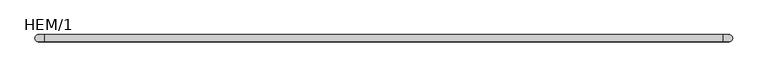
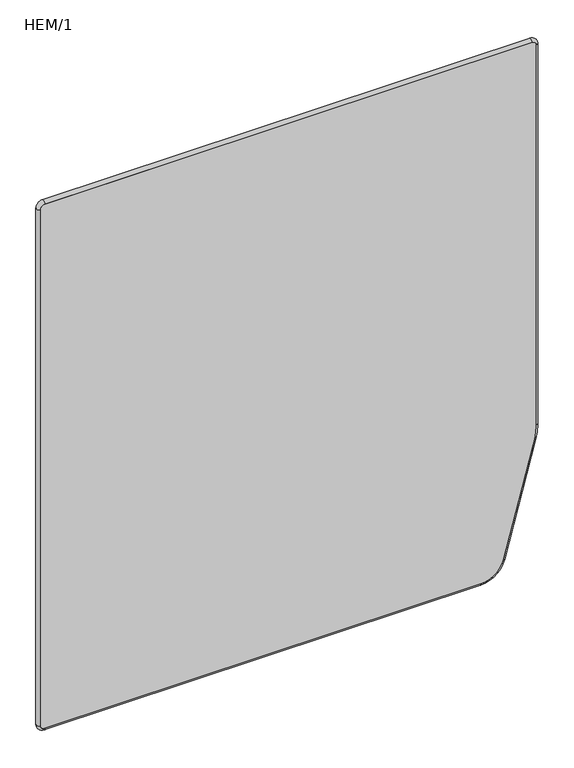
"""IFC4 building model written with IfcOpenShell, lengths in millimetres: furniture geometry, HEM/1."""

import ifcopenshell
import ifcopenshell.guid

model = None  # the IFC model being written
_history = None  # IfcOwnerHistory: only IFC2X3 demands one
_inside = {}  # id of a spatial element -> (the spatial element, [elements in it])
_under = {}  # id of a project, library or spatial element -> (it, [spatial elements below it])
_declared = {}  # id of a project -> (the project, [libraries it declares])
_typed = {}  # id of a type object -> (the type object, [elements of that type])
_made_of = {}  # id of a material, layer set ... -> (it, [elements and type objects made of it])


def new_model(schema):
    """Start an empty IFC model of exactly this schema.

    Asked for "IFC4X3", IfcOpenShell would pick the latest addendum, in which some entities
    have other attributes; the version numbers below select the first issue.
    IFC2X3 requires an IfcOwnerHistory on every rooted entity: one is made here for all.
    """
    global model, _history
    if schema == "IFC4X3":
        model = ifcopenshell.file(schema_version=(4, 3, 0, 0))
    else:
        model = ifcopenshell.file(schema=schema)
    _inside.clear()
    _under.clear()
    _declared.clear()
    _typed.clear()
    _made_of.clear()
    _history = None
    if model.schema == "IFC2X3":
        org = make("IfcOrganization", Name="unknown")
        user = make(
            "IfcPersonAndOrganization",
            ThePerson=make("IfcPerson", FamilyName="unknown"),
            TheOrganization=org,
        )
        app = make(
            "IfcApplication",
            ApplicationDeveloper=org,
            Version="unknown",
            ApplicationFullName="unknown",
            ApplicationIdentifier="unknown",
        )
        _history = make(
            "IfcOwnerHistory",
            OwningUser=user,
            OwningApplication=app,
            ChangeAction="ADDED",
            CreationDate=0,
        )
    return model


def make(cls, **values):
    """One entity of the class cls with the attributes given. An attribute that is None is left unset."""
    return model.create_entity(
        cls, **{name: value for name, value in values.items() if value is not None}
    )


def rooted(cls, **values):
    """An entity with a GlobalId (a new one), such as an element, a storey or a relation."""
    return make(cls, GlobalId=ifcopenshell.guid.new(), OwnerHistory=_history, **values)


def si_unit(unit_type, name, prefix=None):
    """IfcSIUnit, for example si_unit("LENGTHUNIT", "METRE", prefix="MILLI")."""
    return make("IfcSIUnit", UnitType=unit_type, Prefix=prefix, Name=name)


def assignment(units):
    """IfcUnitAssignment: the units of a project."""
    return None if units is None else make("IfcUnitAssignment", Units=units)


def point(xyz):
    """IfcCartesianPoint."""
    return None if xyz is None else make("IfcCartesianPoint", Coordinates=xyz)


def direction(xyz):
    """IfcDirection."""
    return None if xyz is None else make("IfcDirection", DirectionRatios=xyz)


def frame(location, z_axis=None, x_axis=None):
    """IfcAxis2Placement3D, a coordinate frame: its origin and axes. An axis left out is left unset."""
    return make(
        "IfcAxis2Placement3D",
        Location=point(location),
        Axis=direction(z_axis),
        RefDirection=direction(x_axis),
    )


def frame_2d(location, x_axis=None):
    """IfcAxis2Placement2D, a coordinate frame in the plane: its origin and x axis."""
    return make(
        "IfcAxis2Placement2D", Location=point(location), RefDirection=direction(x_axis)
    )


def origin():
    """The frame at (0, 0, 0) with its axes left unset."""
    return frame((0.0, 0.0, 0.0))


def place(relative_to, where):
    """IfcLocalPlacement: puts the frame where relative to a parent placement (None: the world)."""
    return make(
        "IfcLocalPlacement", PlacementRelTo=relative_to, RelativePlacement=where
    )


def context(
    kind, dimensions, precision=None, world=None, true_north=None, identifier=None
):
    """IfcGeometricRepresentationContext, for example the 3D "Model" context."""
    return make(
        "IfcGeometricRepresentationContext",
        ContextIdentifier=identifier,
        ContextType=kind,
        CoordinateSpaceDimension=dimensions,
        Precision=precision,
        WorldCoordinateSystem=world,
        TrueNorth=true_north,
    )


def project(units=None, contexts=None):
    """IfcProject with its units and contexts."""
    return rooted(
        "IfcProject",
        Name="project",
        RepresentationContexts=contexts,
        UnitsInContext=assignment(units),
    )


def spatial(cls, under=None, at=None, **own):
    """A site, building, storey or space (cls), placed at a placement, below another one or the project."""
    s = rooted(cls, ObjectPlacement=at, **own)
    if under is not None:
        _under.setdefault(under.id(), (under, []))[1].append(s)
    return s


def polyline(points):
    """IfcPolyline through the points."""
    return make("IfcPolyline", Points=[point(p) for p in points])


def circle_curve(where, radius):
    """IfcCircle in the frame where."""
    return make("IfcCircle", Position=where, Radius=radius)


def ellipse_curve(where, semi_axis1, semi_axis2):
    """IfcEllipse in the frame where."""
    return make(
        "IfcEllipse", Position=where, SemiAxis1=semi_axis1, SemiAxis2=semi_axis2
    )


def trimmed(basis, trim1, trim2, sense, master):
    """IfcTrimmedCurve: the piece of a basis curve between two trims."""
    return make(
        "IfcTrimmedCurve",
        BasisCurve=basis,
        Trim1=trim1,
        Trim2=trim2,
        SenseAgreement=sense,
        MasterRepresentation=master,
    )


def segment(curve, same_sense, transition):
    """IfcCompositeCurveSegment."""
    return make(
        "IfcCompositeCurveSegment",
        Transition=transition,
        SameSense=same_sense,
        ParentCurve=curve,
    )


def composite_curve(segments, self_intersect=None):
    """IfcCompositeCurve: segments joined end to end."""
    return make("IfcCompositeCurve", Segments=segments, SelfIntersect=self_intersect)


def outline(outer, holes=None, kind="AREA"):
    """IfcArbitraryClosedProfileDef: a profile drawn as a closed curve; with holes, ...WithVoids."""
    if holes is None:
        return make("IfcArbitraryClosedProfileDef", ProfileType=kind, OuterCurve=outer)
    return make(
        "IfcArbitraryProfileDefWithVoids",
        ProfileType=kind,
        OuterCurve=outer,
        InnerCurves=holes,
    )


def extrude(swept, where, along, depth):
    """IfcExtrudedAreaSolid: the profile swept, set in the frame where, extruded along a direction by depth."""
    return make(
        "IfcExtrudedAreaSolid",
        SweptArea=swept,
        Position=where,
        ExtrudedDirection=direction(along),
        Depth=depth,
    )


def shape(context_of_items, identifier, shape_type, items):
    """IfcShapeRepresentation: the items that make up one representation, for example the "Body"."""
    return make(
        "IfcShapeRepresentation",
        ContextOfItems=context_of_items,
        RepresentationIdentifier=identifier,
        RepresentationType=shape_type,
        Items=items,
    )


def source(mapping_origin, context_of_items, identifier, shape_type, items):
    """IfcRepresentationMap: a shape defined once, which mapped items show again and again."""
    return make(
        "IfcRepresentationMap",
        MappingOrigin=mapping_origin,
        MappedRepresentation=shape(context_of_items, identifier, shape_type, items),
    )


def transform(
    local_origin,
    x_axis=None,
    y_axis=None,
    z_axis=None,
    scale=None,
    scale2=None,
    scale3=None,
    uniform=True,
):
    """IfcCartesianTransformationOperator3D, or its non-uniform kind. x_axis, y_axis, z_axis: its Axis1, 2, 3."""
    if uniform:
        return make(
            "IfcCartesianTransformationOperator3D",
            Axis1=direction(x_axis),
            Axis2=direction(y_axis),
            LocalOrigin=point(local_origin),
            Scale=scale,
            Axis3=direction(z_axis),
        )
    return make(
        "IfcCartesianTransformationOperator3DnonUniform",
        Axis1=direction(x_axis),
        Axis2=direction(y_axis),
        LocalOrigin=point(local_origin),
        Scale=scale,
        Axis3=direction(z_axis),
        Scale2=scale2,
        Scale3=scale3,
    )


def mapped(mapping_source, mapping_target):
    """IfcMappedItem: shows the shape of a source again, moved by a transform."""
    return make(
        "IfcMappedItem", MappingSource=mapping_source, MappingTarget=mapping_target
    )


def made_of(thing, what):
    """Note that an element or type object is made of a material, layer set ...; save() writes the relation."""
    if what is not None:
        _made_of.setdefault(what.id(), (what, []))[1].append(thing)
    return thing


def element(
    cls,
    number,
    at=None,
    inside=None,
    cuts=None,
    type_object=None,
    material=None,
    context=None,
    identifier="Body",
    shape_type=None,
    held_by="IfcProductDefinitionShape",
    body=None,
    shapes=None,
    **own,
):
    """One element of the class cls, such as IfcWall. Its Tag is "e" and its number.

    at: its placement. inside: the storey or other place that contains it. cuts: it is an
    opening in that element (IfcRelVoidsElement). A single representation is given by context,
    identifier, shape_type and body (its items); several are given by shapes. held_by: the class
    of the entity that holds the representations. save() writes the other relations.
    """
    e = rooted(cls, Tag="e%d" % number, ObjectPlacement=at, **own)
    if body is not None:
        shapes = [shape(context, identifier, shape_type, body)]
    if shapes is not None:
        e.Representation = make(held_by, Representations=shapes)
    if inside is not None:
        _inside.setdefault(inside.id(), (inside, []))[1].append(e)
    if cuts is not None:
        rooted(
            "IfcRelVoidsElement", RelatingBuildingElement=cuts, RelatedOpeningElement=e
        )
    if type_object is not None:
        _typed.setdefault(type_object.id(), (type_object, []))[1].append(e)
    return made_of(e, material)


def aggregate(whole, parts):
    """IfcRelAggregates: a whole, such as a stair, and the parts it consists of."""
    return rooted("IfcRelAggregates", RelatingObject=whole, RelatedObjects=parts)


def save(model, path):
    """Write the relations noted so far, then the file.

    IfcRelAggregates (storeys below a building ...), IfcRelContainedInSpatialStructure (elements
    in a storey), IfcRelDefinesByType, IfcRelAssociatesMaterial and IfcRelDeclares: one each for
    every whole, place, type object, material and project.
    """
    for whole, parts in _under.values():
        aggregate(whole, parts)
    for where, things in _inside.values():
        rooted(
            "IfcRelContainedInSpatialStructure",
            RelatedElements=things,
            RelatingStructure=where,
        )
    for kind, things in _typed.values():
        rooted("IfcRelDefinesByType", RelatedObjects=things, RelatingType=kind)
    for what, things in _made_of.values():
        rooted("IfcRelAssociatesMaterial", RelatedObjects=things, RelatingMaterial=what)
    for by, libraries in _declared.values():
        rooted("IfcRelDeclares", RelatingContext=by, RelatedDefinitions=libraries)
    model.write(path)


def plane_surface(at):
    """IfcPlane: the flat surface through the origin of the frame at, square to its z axis."""
    return make("IfcPlane", Position=at)


def cylinder_surface(at, radius):
    """IfcCylindricalSurface: all points at the distance radius from the z axis of the frame at."""
    return make("IfcCylindricalSurface", Position=at, Radius=radius)


def revolved_surface(curve, axis_point, axis_direction):
    """IfcSurfaceOfRevolution: the curve turned about the line through axis_point along axis_direction."""
    return make(
        "IfcSurfaceOfRevolution",
        SweptCurve=make("IfcArbitraryOpenProfileDef", ProfileType="CURVE", Curve=curve),
        AxisPosition=make("IfcAxis1Placement", Location=point(axis_point), Axis=direction(axis_direction)),
    )


def advanced_brep(points, edges, surfaces, faces):
    """IfcAdvancedBrep: a solid bounded by faces that lie on surfaces and meet in shared edges.

    An edge is (start, end): straight between two places in points (the first is 0);
    or (start, end, curve); or (start, end, curve, False) where it runs against its curve.
    A face is (place in surfaces, loops), or (place, loops, False) where it looks against
    its surface's normal. A loop lists edges by number (the first is 1), with a minus sign
    where the edge is run from its end to its start. The first loop is the outer one.
    """
    corners = [point(p) for p in points]
    vertices = [make("IfcVertexPoint", VertexGeometry=c) for c in corners]
    made = []
    for start, end, *more in edges:
        made.append(
            make(
                "IfcEdgeCurve",
                EdgeStart=vertices[start],
                EdgeEnd=vertices[end],
                EdgeGeometry=more[0] if more else make("IfcPolyline", Points=[corners[start], corners[end]]),
                SameSense=more[1] if len(more) > 1 else True,
            )
        )
    hull = []
    for where, loops, *sense in faces:
        bounds = []
        for j, loop in enumerate(loops):
            ring = [make("IfcOrientedEdge", EdgeElement=made[abs(k) - 1], Orientation=k > 0) for k in loop]
            bounds.append(
                make(
                    "IfcFaceOuterBound" if j == 0 else "IfcFaceBound",
                    Bound=make("IfcEdgeLoop", EdgeList=ring),
                    Orientation=True,
                )
            )
        hull.append(make("IfcAdvancedFace", Bounds=bounds, FaceSurface=surfaces[where], SameSense=sense[0] if sense else True))
    return make("IfcAdvancedBrep", Outer=make("IfcClosedShell", CfsFaces=hull))


def hem_1_15d76516(model_context):
    return source(origin(), model_context, "Body", "SolidModel", [
        advanced_brep(
        [(-1485.4508983, 0.0, 1299.6639468), (-1475.4508983, 0.0, 1309.6639468), (-1475.4508983, 12.0, 1309.6639468), (-1485.4508983, 12.0, 1299.6639468), (-1485.4508983, 12.0, 14.527165), (-1485.4508983, 0.0, 14.527165), (-1475.4508983, 0.0, 4.527165), (-1475.4508983, 12.0, 4.527165), (-447.5918307, 12.0, 4.527165), (-447.5918307, 0.0, 4.527165), (-394.4659102, 0.0, 45.2921175), (-394.4659102, 12.0, 45.2921175), (-320.8805409, 12.0, 319.9164544), (-320.8805409, 0.0, 319.9164544), (-316.4508983, 0.0, 353.5629303), (-316.4508983, 12.0, 353.5629303), (-316.4508983, 12.0, 1299.6639468), (-316.4508983, 0.0, 1299.6639468), (-326.4508983, 0.0, 1309.6639468), (-326.4508983, 12.0, 1309.6639468)],
        [
            (0, 1, circle_curve(frame((-1475.4508983, 0.0, 1299.6639468), z_axis=(0.0, 1.0, 0.0), x_axis=(0.0, 0.0, 1.0)), 10.0)),
            (1, 2, circle_curve(frame((-1475.4508983, 6.0, 1309.6639468), z_axis=(-1.0, 0.0, 0.0), x_axis=(0.0, -1.0, 0.0)), 6.0)),
            (2, 3, circle_curve(frame((-1475.4508983, 12.0, 1299.6639468), z_axis=(0.0, -1.0, 0.0), x_axis=(0.0, 0.0, 1.0)), 10.0)),
            (3, 0, circle_curve(frame((-1485.4508983, 6.0, 1299.6639468), z_axis=(0.0, 0.0, 1.0), x_axis=(0.0, -1.0, 0.0)), 6.0)),
            (2, 1),
            (0, 3),
            (3, 4),
            (4, 5, circle_curve(frame((-1485.4508983, 6.0, 14.527165), z_axis=(0.0, 0.0, 1.0), x_axis=(0.0, -1.0, 0.0)), 6.0)),
            (5, 0),
            (5, 4),
            (6, 5, circle_curve(frame((-1475.4508983, 0.0, 14.527165), z_axis=(0.0, 1.0, 0.0), x_axis=(-1.0, 0.0, 0.0)), 10.0)),
            (4, 7, circle_curve(frame((-1475.4508983, 12.0, 14.527165), z_axis=(0.0, -1.0, 0.0), x_axis=(-1.0, 0.0, 0.0)), 10.0)),
            (7, 6, circle_curve(frame((-1475.4508983, 6.0, 4.527165), z_axis=(-1.0, 0.0, 0.0), x_axis=(0.0, -1.0, 0.0)), 6.0)),
            (6, 7),
            (7, 8),
            (8, 9, circle_curve(frame((-447.5918307, 6.0, 4.527165), z_axis=(-1.0, 0.0, 0.0), x_axis=(0.0, -1.0, 0.0)), 6.0)),
            (9, 6),
            (9, 8),
            (10, 9, circle_curve(frame((-447.5918307, 0.0, 59.527165), z_axis=(0.0, 1.0, 0.0), x_axis=(0.0, 0.0, -1.0)), 55.0)),
            (8, 11, circle_curve(frame((-447.5918307, 12.0, 59.527165), z_axis=(0.0, -1.0, 0.0), x_axis=(0.0, 0.0, -1.0)), 55.0)),
            (11, 10, circle_curve(frame((-394.4659102, 6.0, 45.2921175), z_axis=(-0.25881904510252596, 0.0, -0.9659258262890669), x_axis=(0.0, -1.0, 0.0)), 6.0)),
            (10, 11),
            (11, 12),
            (12, 13, circle_curve(frame((-320.8805409, 6.0, 319.9164544), z_axis=(-0.25881904510252196, 0.0, -0.965925826289068), x_axis=(0.0, -1.0, 0.0)), 6.0)),
            (13, 10),
            (13, 12),
            (14, 13, circle_curve(frame((-446.4508983, 0.0, 353.5629303), z_axis=(0.0, 1.0, 0.0), x_axis=(0.9659258262890662, 0.0, -0.2588190451025284)), 130.0)),
            (12, 15, circle_curve(frame((-446.4508983, 12.0, 353.5629303), z_axis=(0.0, -1.0, 0.0), x_axis=(0.9659258262890662, 0.0, -0.2588190451025284)), 130.0)),
            (15, 14, circle_curve(frame((-316.4508983, 6.0, 353.5629303), z_axis=(0.0, 0.0, -0.9999999999999999), x_axis=(0.0, -1.0, 0.0)), 6.0)),
            (14, 15),
            (15, 16),
            (16, 17, circle_curve(frame((-316.4508983, 6.0, 1299.6639468), z_axis=(0.0, 0.0, -1.0), x_axis=(0.0, -1.0, 0.0)), 6.0)),
            (17, 14),
            (17, 16),
            (18, 17, circle_curve(frame((-326.4508983, 0.0, 1299.6639468), z_axis=(0.0, 1.0, 0.0), x_axis=(1.0, 0.0, 0.0)), 10.0)),
            (16, 19, circle_curve(frame((-326.4508983, 12.0, 1299.6639468), z_axis=(0.0, -1.0, 0.0), x_axis=(1.0, 0.0, 0.0)), 10.0)),
            (19, 18, circle_curve(frame((-326.4508983, 6.0, 1309.6639468), z_axis=(1.0, 0.0, 0.0), x_axis=(0.0, -1.0, 0.0)), 6.0)),
            (18, 19),
            (19, 2),
            (1, 18),
        ],
        [
            revolved_surface(trimmed(ellipse_curve(frame((-1475.4508983, 6.0, 1309.6639468), z_axis=(1.0, 0.0, 0.0), x_axis=(0.0, -1.0, 0.0)), 6.0, 6.0), [point((-1475.4508983, 12.0, 1309.6639468))], [point((-1475.4508983, 0.0, 1309.6639468))], True, "CARTESIAN"), (-1475.4508983, 0.0, 1299.6639468), (0.0, -1.0, 0.0)),
            revolved_surface(polyline([(-1475.4508983, 0.0, 1309.6639468), (-1475.4508983, 12.0, 1309.6639468)]), (-1475.4508983, 0.0, 1299.6639468), (0.0, -1.0, 0.0)),
            cylinder_surface(frame((-1485.4508983, 6.0, 1299.6639468), z_axis=(0.0, 0.0, 1.0), x_axis=(0.0, -1.0, 0.0)), 6.0),
            plane_surface(frame((-1485.4508983, 0.0, 1299.6639468), z_axis=(1.0, 0.0, 0.0), x_axis=(0.0, 0.0, -1.0))),
            revolved_surface(trimmed(ellipse_curve(frame((-1485.4508983, 6.0, 14.527165), z_axis=(0.0, 0.0, 1.0), x_axis=(0.0, -1.0, 0.0)), 6.0, 6.0), [point((-1485.4508983, 12.0, 14.527165))], [point((-1485.4508983, 0.0, 14.527165))], True, "CARTESIAN"), (-1475.4508983, 0.0, 14.527165), (0.0, -1.0, 0.0)),
            revolved_surface(polyline([(-1485.4508983, 0.0, 14.527165), (-1485.4508983, 12.0, 14.527165)]), (-1475.4508983, 0.0, 14.527165), (0.0, -1.0, 0.0)),
            cylinder_surface(frame((-1475.4508983, 6.0, 4.527165), z_axis=(-1.0, 0.0, 0.0), x_axis=(0.0, -1.0, 0.0)), 6.0),
            plane_surface(frame((-1475.4508983, 0.0, 4.527165), z_axis=(0.0, 0.0, 1.0), x_axis=(1.0, 0.0, 0.0))),
            revolved_surface(trimmed(ellipse_curve(frame((-447.5918307, 6.0, 4.527165), z_axis=(-1.0, 0.0, 0.0), x_axis=(0.0, -1.0, 0.0)), 6.0, 6.0), [point((-447.5918307, 12.0, 4.527165))], [point((-447.5918307, 0.0, 4.527165))], True, "CARTESIAN"), (-447.5918307, 0.0, 59.527165), (0.0, -1.0, 0.0)),
            revolved_surface(polyline([(-447.5918307, 0.0, 4.5271649999999966), (-447.5918307, 12.0, 4.5271649999999966)]), (-447.5918307, 0.0, 59.527165), (0.0, -1.0, 0.0)),
            cylinder_surface(frame((-394.4659102, 6.0, 45.2921175), z_axis=(-0.25881904510252196, 0.0, -0.965925826289068), x_axis=(0.0, -1.0, 0.0)), 6.0),
            plane_surface(frame((-394.4659102, 0.0, 45.2921175), z_axis=(-0.965925826289068, 0.0, 0.2588190451025219), x_axis=(0.2588190451025219, 0.0, 0.965925826289068))),
            revolved_surface(trimmed(ellipse_curve(frame((-320.8805409, 6.0, 319.9164544), z_axis=(-0.25881904510252807, 0.0, -0.9659258262890663), x_axis=(0.0, -1.0, 0.0)), 6.0, 6.0), [point((-320.8805409, 12.0, 319.9164544))], [point((-320.8805409, 0.0, 319.9164544))], True, "CARTESIAN"), (-446.4508983, 0.0, 353.5629303), (0.0, -1.0, 0.0)),
            revolved_surface(polyline([(-320.8805408824214, 0.0, 319.9164544366713), (-320.8805408824214, 12.0, 319.9164544366713)]), (-446.4508983, 0.0, 353.5629303), (0.0, -1.0, 0.0)),
            cylinder_surface(frame((-316.4508983, 6.0, 353.5629303), z_axis=(0.0, 0.0, -1.0), x_axis=(0.0, -1.0, 0.0)), 6.0),
            plane_surface(frame((-316.4508983, 0.0, 353.5629303), z_axis=(-1.0, 0.0, 0.0), x_axis=(0.0, 0.0, 1.0))),
            revolved_surface(trimmed(ellipse_curve(frame((-316.4508983, 6.0, 1299.6639468), z_axis=(0.0, 0.0, -1.0), x_axis=(0.0, -1.0, 0.0)), 6.0, 6.0), [point((-316.4508983, 12.0, 1299.6639468))], [point((-316.4508983, 0.0, 1299.6639468))], True, "CARTESIAN"), (-326.4508983, 0.0, 1299.6639468), (0.0, -1.0, 0.0)),
            revolved_surface(polyline([(-316.4508983, 0.0, 1299.6639468), (-316.4508983, 12.0, 1299.6639468)]), (-326.4508983, 0.0, 1299.6639468), (0.0, -1.0, 0.0)),
            cylinder_surface(frame((-326.4508983, 6.0, 1309.6639468), z_axis=(1.0, 0.0, 0.0), x_axis=(0.0, -1.0, 0.0)), 6.0),
            plane_surface(frame((-326.4508983, 0.0, 1309.6639468), z_axis=(0.0, 0.0, -1.0), x_axis=(-1.0, 0.0, 0.0))),
        ],
        [
            (0, [[1, 2, 3, 4]]),
            (1, [[-3, 5, -1, 6]]),
            (2, [[-4, 7, 8, 9]]),
            (3, [[-6, -9, 10, -7]]),
            (4, [[11, -8, 12, 13]]),
            (5, [[-12, -10, -11, 14]]),
            (6, [[-13, 15, 16, 17]]),
            (7, [[-14, -17, 18, -15]]),
            (8, [[19, -16, 20, 21]]),
            (9, [[-20, -18, -19, 22]]),
            (10, [[-21, 23, 24, 25]]),
            (11, [[-22, -25, 26, -23]]),
            (12, [[27, -24, 28, 29]]),
            (13, [[-28, -26, -27, 30]]),
            (14, [[-29, 31, 32, 33]]),
            (15, [[-30, -33, 34, -31]]),
            (16, [[35, -32, 36, 37]]),
            (17, [[-36, -34, -35, 38]]),
            (18, [[-37, 39, -2, 40]]),
            (19, [[-38, -40, -5, -39]]),
        ],
    ),
        extrude(outline(composite_curve([segment(trimmed(circle_curve(frame_2d((14.527165, -1475.4508983)), 10.0), [point((14.527165, -1485.4508983))], [point((4.527165, -1475.4508983))], False, "CARTESIAN"), True, "CONTINUOUS"), segment(polyline([(4.527165, -1475.4508983), (4.527165, -447.5918307)]), True, "CONTINUOUS"), segment(trimmed(circle_curve(frame_2d((59.527165, -447.5918307)), 55.0), [point((4.527165, -447.5918307))], [point((45.2921175, -394.4659102))], False, "CARTESIAN"), True, "CONTINUOUS"), segment(polyline([(45.2921175, -394.4659102), (319.9164544, -320.8805409)]), True, "CONTINUOUS"), segment(trimmed(circle_curve(frame_2d((353.5629303, -446.4508983)), 130.0), [point((319.9164544, -320.8805409))], [point((353.5629303, -316.4508983))], False, "CARTESIAN"), True, "CONTINUOUS"), segment(polyline([(353.5629303, -316.4508983), (1299.6639468, -316.4508983)]), True, "CONTINUOUS"), segment(trimmed(circle_curve(frame_2d((1299.6639468, -326.4508983)), 10.0), [point((1299.6639468, -316.4508983))], [point((1309.6639468, -326.4508983))], False, "CARTESIAN"), True, "CONTINUOUS"), segment(polyline([(1309.6639468, -326.4508983), (1309.6639468, -1475.4508983)]), True, "CONTINUOUS"), segment(trimmed(circle_curve(frame_2d((1299.6639468, -1475.4508983)), 10.0), [point((1309.6639468, -1475.4508983))], [point((1299.6639468, -1485.4508983))], False, "CARTESIAN"), True, "CONTINUOUS"), segment(polyline([(1299.6639468, -1485.4508983), (14.527165, -1485.4508983)]), True, "CONTINUOUS")], self_intersect=False)), frame((0.0, 0.0, 0.0), z_axis=(0.0, 1.0, 0.0), x_axis=(0.0, 0.0, 1.0)), (0.0, 0.0, 1.0), 12.0),
    ])


if __name__ == "__main__":
    model = new_model("IFC4")
    model_context = context("Model", 3, world=origin())
    ifc_project = project(units=[si_unit("LENGTHUNIT", "METRE", prefix="MILLI")], contexts=[model_context])
    site = spatial("IfcSite", under=ifc_project)
    building = spatial("IfcBuilding", under=site)
    placement = place(None, origin())
    hem_1_shape = hem_1_15d76516(model_context)
    element("IfcFurniture", 1, ObjectType="HEM/1", at=placement, inside=building, context=model_context, shape_type="MappedRepresentation", body=[
        mapped(hem_1_shape, transform((0.0, 0.0, 0.0), x_axis=(1.0, 0.0, 0.0), y_axis=(0.0, 1.0, 0.0), z_axis=(0.0, 0.0, 1.0))),
    ])
    save(model, "model.ifc")
